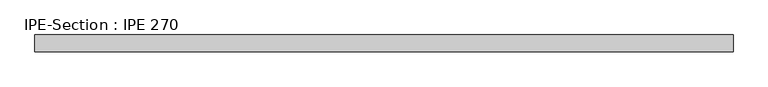
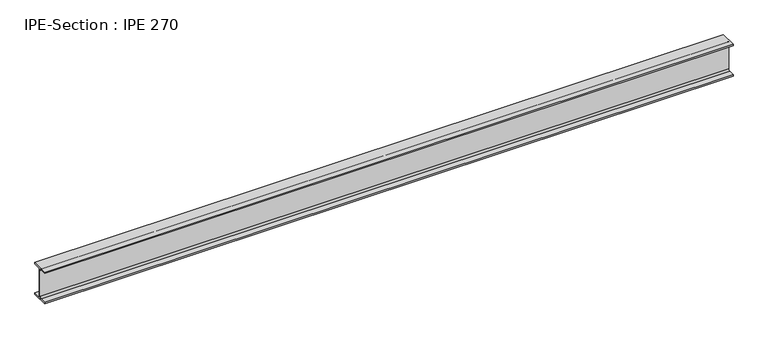
"""IFC4 building model written with IfcOpenShell, lengths in millimetres: beam geometry, IPE-Section : IPE 270."""

from ifc_helpers import new_model, si_unit, point, frame, frame_2d, origin, place, context, project, spatial, polyline, circle_curve, trimmed, segment, composite_curve, outline, extrude, source, transform, mapped, element, save


def ipe_section_ipe_270_b5bc5b72(model_context):
    return source(origin(), model_context, "Body", "SweptSolid", [
        extrude(outline(composite_curve([segment(polyline([(67.5, -124.8), (67.5, -135.0), (-67.5, -135.0), (-67.5, -124.8), (-18.3, -124.8)]), True, "CONTINUOUS"), segment(trimmed(circle_curve(frame_2d((-18.3, -109.8)), 15.0), [point((-18.3, -124.8))], [point((-3.3, -109.8))], True, "CARTESIAN"), True, "CONTINUOUS"), segment(polyline([(-3.3, -109.8), (-3.3, 109.8)]), True, "CONTINUOUS"), segment(trimmed(circle_curve(frame_2d((-18.3, 109.8)), 15.0), [point((-3.3, 109.8))], [point((-18.3, 124.8))], True, "CARTESIAN"), True, "CONTINUOUS"), segment(polyline([(-18.3, 124.8), (-67.5, 124.8), (-67.5, 135.0), (67.5, 135.0), (67.5, 124.8), (18.3, 124.8)]), True, "CONTINUOUS"), segment(trimmed(circle_curve(frame_2d((18.3, 109.8)), 15.0), [point((18.3, 124.8))], [point((3.3, 109.8))], True, "CARTESIAN"), True, "CONTINUOUS"), segment(polyline([(3.3, 109.8), (3.3, -109.8)]), True, "CONTINUOUS"), segment(trimmed(circle_curve(frame_2d((18.3, -109.8)), 15.0), [point((3.3, -109.8))], [point((18.3, -124.8))], True, "CARTESIAN"), True, "CONTINUOUS"), segment(polyline([(18.3, -124.8), (67.5, -124.8)]), True, "CONTINUOUS")], self_intersect=False)), frame((-2778.725374, 0.0, 0.0), z_axis=(1.0, 0.0, 0.0), x_axis=(0.0, 1.0, 0.0)), (0.0, 0.0, 1.0), 5566.3815757),
    ])


if __name__ == "__main__":
    model = new_model("IFC4")
    model_context = context("Model", 3, world=origin())
    ifc_project = project(units=[si_unit("LENGTHUNIT", "METRE", prefix="MILLI")], contexts=[model_context])
    site = spatial("IfcSite", under=ifc_project)
    building = spatial("IfcBuilding", under=site)
    placement = place(None, origin())
    ipe_section_ipe_270_shape = ipe_section_ipe_270_b5bc5b72(model_context)
    element("IfcBeam", 1, ObjectType="IPE-Section : IPE 270", at=placement, inside=building, context=model_context, shape_type="MappedRepresentation", body=[
        mapped(ipe_section_ipe_270_shape, transform((0.0, 0.0, 0.0), x_axis=(1.0, 0.0, 0.0), y_axis=(0.0, 1.0, 0.0), z_axis=(0.0, 0.0, 1.0))),
    ])
    save(model, "model.ifc")
